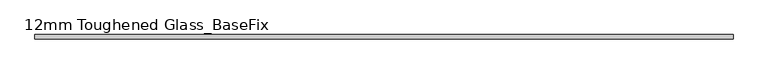
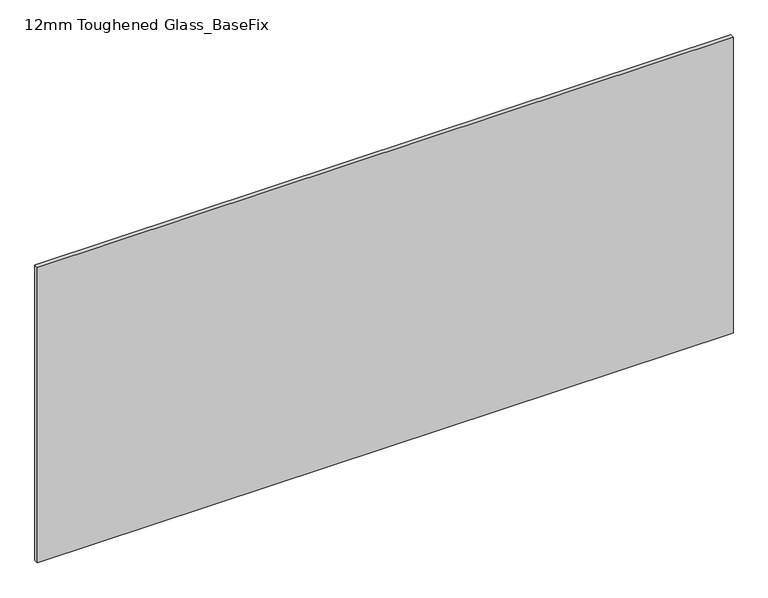
"""IFC4 building model written with IfcOpenShell, lengths in millimetres: plate geometry, 12mm Toughened Glass_BaseFix."""

from ifc_helpers import new_model, si_unit, origin, origin_with_axes, place, context, project, spatial, polyline, outline, extrude, source, transform, mapped, element, save


def plate_12mm_toughened_glass_basefix_6a26f1d6(model_context):
    return source(origin(), model_context, "Body", "SweptSolid", [
        extrude(outline(polyline([(945.0000001, 6.0), (945.0000001, -6.0), (-945.0000001, -6.0), (-945.0000001, 6.0), (945.0000001, 6.0)])), origin_with_axes(), (0.0, 0.0, 1.0), 849.0),
    ])


if __name__ == "__main__":
    model = new_model("IFC4")
    model_context = context("Model", 3, world=origin())
    ifc_project = project(units=[si_unit("LENGTHUNIT", "METRE", prefix="MILLI")], contexts=[model_context])
    site = spatial("IfcSite", under=ifc_project)
    building = spatial("IfcBuilding", under=site)
    placement = place(None, origin())
    plate_12mm_toughened_glass_basefix_shape = plate_12mm_toughened_glass_basefix_6a26f1d6(model_context)
    element("IfcPlate", 1, ObjectType="12mm Toughened Glass_BaseFix", at=placement, inside=building, context=model_context, shape_type="MappedRepresentation", body=[
        mapped(plate_12mm_toughened_glass_basefix_shape, transform((0.0, 0.0, 0.0), x_axis=(1.0, 0.0, 0.0), y_axis=(0.0, 1.0, 0.0), z_axis=(0.0, 0.0, 1.0))),
    ])
    save(model, "model.ifc")
